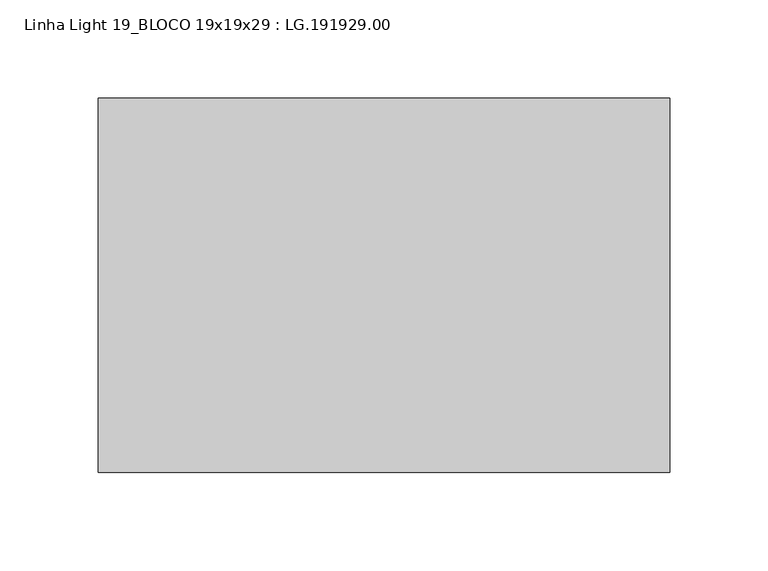
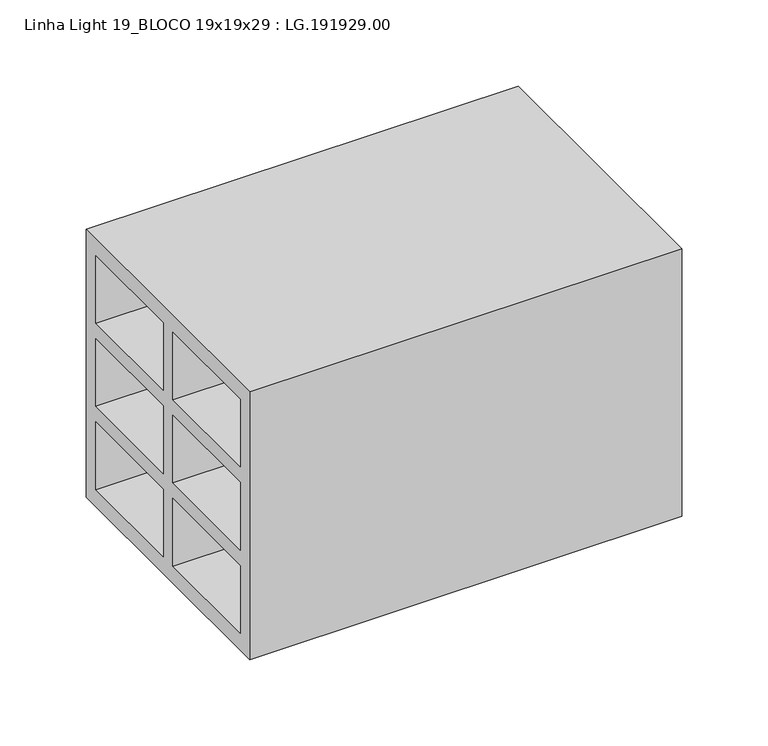
"""IFC4 building model written with IfcOpenShell, lengths in millimetres: proxy geometry, Linha Light 19_BLOCO 19x19x29 : LG.191929.00."""

from ifc_helpers import new_model, si_unit, frame, origin, place, context, project, spatial, polyline, outline, extrude, source, transform, mapped, element, save


def linha_light_19_bloco_19x19x29_lg_191929_00_7732c723(model_context):
    return source(origin(), model_context, "Body", "SweptSolid", [
        extrude(outline(polyline([(-95.0, 0.0), (-95.0, 190.0), (95.0, 190.0), (95.0, 0.0), (-95.0, 0.0)]), holes=[polyline([(5.5, 178.0), (5.5, 130.0), (84.0, 130.0), (84.0, 178.0), (5.5, 178.0)]), polyline([(-84.0, 178.0), (-84.0, 130.0), (-5.5, 130.0), (-5.5, 178.0), (-84.0, 178.0)]), polyline([(-5.5, 119.0), (-84.0, 119.0), (-84.0, 71.0), (-5.5, 71.0), (-5.5, 119.0)]), polyline([(84.0, 71.0), (84.0, 119.0), (5.5, 119.0), (5.5, 71.0), (84.0, 71.0)]), polyline([(84.0, 60.0), (5.5, 60.0), (5.5, 12.0), (84.0, 12.0), (84.0, 60.0)]), polyline([(-5.5, 60.0), (-84.0, 60.0), (-84.0, 12.0), (-5.5, 12.0), (-5.5, 60.0)])]), frame((5.0, 0.0, 0.0), z_axis=(1.0, 0.0, 0.0), x_axis=(0.0, 1.0, 0.0)), (0.0, 0.0, 1.0), 290.0),
    ])


if __name__ == "__main__":
    model = new_model("IFC4")
    model_context = context("Model", 3, world=origin())
    ifc_project = project(units=[si_unit("LENGTHUNIT", "METRE", prefix="MILLI")], contexts=[model_context])
    site = spatial("IfcSite", under=ifc_project)
    building = spatial("IfcBuilding", under=site)
    placement = place(None, origin())
    linha_light_19_bloco_19x19x29_lg_191929_00_shape = linha_light_19_bloco_19x19x29_lg_191929_00_7732c723(model_context)
    element("IfcBuildingElementProxy", 1, Name="Linha Light 19_BLOCO 19x19x29 : LG.191929.00", ObjectType="Linha Light 19_BLOCO 19x19x29 : LG.191929.00", at=placement, inside=building, context=model_context, shape_type="MappedRepresentation", body=[
        mapped(linha_light_19_bloco_19x19x29_lg_191929_00_shape, transform((0.0, 0.0, 0.0), x_axis=(1.0, 0.0, 0.0), y_axis=(0.0, 1.0, 0.0), z_axis=(0.0, 0.0, 1.0))),
    ])
    save(model, "model.ifc")
